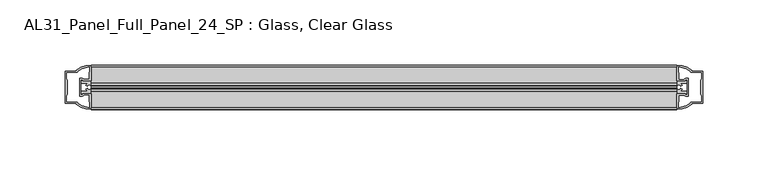
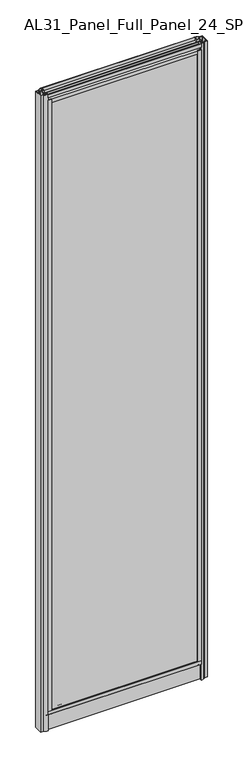
"""IFC4 building model written with IfcOpenShell, lengths in millimetres: plate geometry, AL31_Panel_Full_Panel_24_SP : Glass, Clear Glass."""

import ifcopenshell
import ifcopenshell.guid

model = None  # the IFC model being written
_history = None  # IfcOwnerHistory: only IFC2X3 demands one
_inside = {}  # id of a spatial element -> (the spatial element, [elements in it])
_under = {}  # id of a project, library or spatial element -> (it, [spatial elements below it])
_declared = {}  # id of a project -> (the project, [libraries it declares])
_typed = {}  # id of a type object -> (the type object, [elements of that type])
_made_of = {}  # id of a material, layer set ... -> (it, [elements and type objects made of it])


def new_model(schema):
    """Start an empty IFC model of exactly this schema.

    Asked for "IFC4X3", IfcOpenShell would pick the latest addendum, in which some entities
    have other attributes; the version numbers below select the first issue.
    IFC2X3 requires an IfcOwnerHistory on every rooted entity: one is made here for all.
    """
    global model, _history
    if schema == "IFC4X3":
        model = ifcopenshell.file(schema_version=(4, 3, 0, 0))
    else:
        model = ifcopenshell.file(schema=schema)
    _inside.clear()
    _under.clear()
    _declared.clear()
    _typed.clear()
    _made_of.clear()
    _history = None
    if model.schema == "IFC2X3":
        org = make("IfcOrganization", Name="unknown")
        user = make(
            "IfcPersonAndOrganization",
            ThePerson=make("IfcPerson", FamilyName="unknown"),
            TheOrganization=org,
        )
        app = make(
            "IfcApplication",
            ApplicationDeveloper=org,
            Version="unknown",
            ApplicationFullName="unknown",
            ApplicationIdentifier="unknown",
        )
        _history = make(
            "IfcOwnerHistory",
            OwningUser=user,
            OwningApplication=app,
            ChangeAction="ADDED",
            CreationDate=0,
        )
    return model


def make(cls, **values):
    """One entity of the class cls with the attributes given. An attribute that is None is left unset."""
    return model.create_entity(
        cls, **{name: value for name, value in values.items() if value is not None}
    )


def rooted(cls, **values):
    """An entity with a GlobalId (a new one), such as an element, a storey or a relation."""
    return make(cls, GlobalId=ifcopenshell.guid.new(), OwnerHistory=_history, **values)


def si_unit(unit_type, name, prefix=None):
    """IfcSIUnit, for example si_unit("LENGTHUNIT", "METRE", prefix="MILLI")."""
    return make("IfcSIUnit", UnitType=unit_type, Prefix=prefix, Name=name)


def assignment(units):
    """IfcUnitAssignment: the units of a project."""
    return None if units is None else make("IfcUnitAssignment", Units=units)


def point(xyz):
    """IfcCartesianPoint."""
    return None if xyz is None else make("IfcCartesianPoint", Coordinates=xyz)


def direction(xyz):
    """IfcDirection."""
    return None if xyz is None else make("IfcDirection", DirectionRatios=xyz)


def frame(location, z_axis=None, x_axis=None):
    """IfcAxis2Placement3D, a coordinate frame: its origin and axes. An axis left out is left unset."""
    return make(
        "IfcAxis2Placement3D",
        Location=point(location),
        Axis=direction(z_axis),
        RefDirection=direction(x_axis),
    )


def frame_2d(location, x_axis=None):
    """IfcAxis2Placement2D, a coordinate frame in the plane: its origin and x axis."""
    return make(
        "IfcAxis2Placement2D", Location=point(location), RefDirection=direction(x_axis)
    )


def origin():
    """The frame at (0, 0, 0) with its axes left unset."""
    return frame((0.0, 0.0, 0.0))


def origin_with_axes():
    """The frame at (0, 0, 0) with the z axis (0, 0, 1) and the x axis (1, 0, 0) written out."""
    return frame((0.0, 0.0, 0.0), z_axis=(0.0, 0.0, 1.0), x_axis=(1.0, 0.0, 0.0))


def place(relative_to, where):
    """IfcLocalPlacement: puts the frame where relative to a parent placement (None: the world)."""
    return make(
        "IfcLocalPlacement", PlacementRelTo=relative_to, RelativePlacement=where
    )


def context(
    kind, dimensions, precision=None, world=None, true_north=None, identifier=None
):
    """IfcGeometricRepresentationContext, for example the 3D "Model" context."""
    return make(
        "IfcGeometricRepresentationContext",
        ContextIdentifier=identifier,
        ContextType=kind,
        CoordinateSpaceDimension=dimensions,
        Precision=precision,
        WorldCoordinateSystem=world,
        TrueNorth=true_north,
    )


def project(units=None, contexts=None):
    """IfcProject with its units and contexts."""
    return rooted(
        "IfcProject",
        Name="project",
        RepresentationContexts=contexts,
        UnitsInContext=assignment(units),
    )


def spatial(cls, under=None, at=None, **own):
    """A site, building, storey or space (cls), placed at a placement, below another one or the project."""
    s = rooted(cls, ObjectPlacement=at, **own)
    if under is not None:
        _under.setdefault(under.id(), (under, []))[1].append(s)
    return s


def polyline(points):
    """IfcPolyline through the points."""
    return make("IfcPolyline", Points=[point(p) for p in points])


def circle_curve(where, radius):
    """IfcCircle in the frame where."""
    return make("IfcCircle", Position=where, Radius=radius)


def trimmed(basis, trim1, trim2, sense, master):
    """IfcTrimmedCurve: the piece of a basis curve between two trims."""
    return make(
        "IfcTrimmedCurve",
        BasisCurve=basis,
        Trim1=trim1,
        Trim2=trim2,
        SenseAgreement=sense,
        MasterRepresentation=master,
    )


def segment(curve, same_sense, transition):
    """IfcCompositeCurveSegment."""
    return make(
        "IfcCompositeCurveSegment",
        Transition=transition,
        SameSense=same_sense,
        ParentCurve=curve,
    )


def composite_curve(segments, self_intersect=None):
    """IfcCompositeCurve: segments joined end to end."""
    return make("IfcCompositeCurve", Segments=segments, SelfIntersect=self_intersect)


def outline(outer, holes=None, kind="AREA"):
    """IfcArbitraryClosedProfileDef: a profile drawn as a closed curve; with holes, ...WithVoids."""
    if holes is None:
        return make("IfcArbitraryClosedProfileDef", ProfileType=kind, OuterCurve=outer)
    return make(
        "IfcArbitraryProfileDefWithVoids",
        ProfileType=kind,
        OuterCurve=outer,
        InnerCurves=holes,
    )


def extrude(swept, where, along, depth):
    """IfcExtrudedAreaSolid: the profile swept, set in the frame where, extruded along a direction by depth."""
    return make(
        "IfcExtrudedAreaSolid",
        SweptArea=swept,
        Position=where,
        ExtrudedDirection=direction(along),
        Depth=depth,
    )


def shape(context_of_items, identifier, shape_type, items):
    """IfcShapeRepresentation: the items that make up one representation, for example the "Body"."""
    return make(
        "IfcShapeRepresentation",
        ContextOfItems=context_of_items,
        RepresentationIdentifier=identifier,
        RepresentationType=shape_type,
        Items=items,
    )


def source(mapping_origin, context_of_items, identifier, shape_type, items):
    """IfcRepresentationMap: a shape defined once, which mapped items show again and again."""
    return make(
        "IfcRepresentationMap",
        MappingOrigin=mapping_origin,
        MappedRepresentation=shape(context_of_items, identifier, shape_type, items),
    )


def transform(
    local_origin,
    x_axis=None,
    y_axis=None,
    z_axis=None,
    scale=None,
    scale2=None,
    scale3=None,
    uniform=True,
):
    """IfcCartesianTransformationOperator3D, or its non-uniform kind. x_axis, y_axis, z_axis: its Axis1, 2, 3."""
    if uniform:
        return make(
            "IfcCartesianTransformationOperator3D",
            Axis1=direction(x_axis),
            Axis2=direction(y_axis),
            LocalOrigin=point(local_origin),
            Scale=scale,
            Axis3=direction(z_axis),
        )
    return make(
        "IfcCartesianTransformationOperator3DnonUniform",
        Axis1=direction(x_axis),
        Axis2=direction(y_axis),
        LocalOrigin=point(local_origin),
        Scale=scale,
        Axis3=direction(z_axis),
        Scale2=scale2,
        Scale3=scale3,
    )


def mapped(mapping_source, mapping_target):
    """IfcMappedItem: shows the shape of a source again, moved by a transform."""
    return make(
        "IfcMappedItem", MappingSource=mapping_source, MappingTarget=mapping_target
    )


def made_of(thing, what):
    """Note that an element or type object is made of a material, layer set ...; save() writes the relation."""
    if what is not None:
        _made_of.setdefault(what.id(), (what, []))[1].append(thing)
    return thing


def element(
    cls,
    number,
    at=None,
    inside=None,
    cuts=None,
    type_object=None,
    material=None,
    context=None,
    identifier="Body",
    shape_type=None,
    held_by="IfcProductDefinitionShape",
    body=None,
    shapes=None,
    **own,
):
    """One element of the class cls, such as IfcWall. Its Tag is "e" and its number.

    at: its placement. inside: the storey or other place that contains it. cuts: it is an
    opening in that element (IfcRelVoidsElement). A single representation is given by context,
    identifier, shape_type and body (its items); several are given by shapes. held_by: the class
    of the entity that holds the representations. save() writes the other relations.
    """
    e = rooted(cls, Tag="e%d" % number, ObjectPlacement=at, **own)
    if body is not None:
        shapes = [shape(context, identifier, shape_type, body)]
    if shapes is not None:
        e.Representation = make(held_by, Representations=shapes)
    if inside is not None:
        _inside.setdefault(inside.id(), (inside, []))[1].append(e)
    if cuts is not None:
        rooted(
            "IfcRelVoidsElement", RelatingBuildingElement=cuts, RelatedOpeningElement=e
        )
    if type_object is not None:
        _typed.setdefault(type_object.id(), (type_object, []))[1].append(e)
    return made_of(e, material)


def aggregate(whole, parts):
    """IfcRelAggregates: a whole, such as a stair, and the parts it consists of."""
    return rooted("IfcRelAggregates", RelatingObject=whole, RelatedObjects=parts)


def save(model, path):
    """Write the relations noted so far, then the file.

    IfcRelAggregates (storeys below a building ...), IfcRelContainedInSpatialStructure (elements
    in a storey), IfcRelDefinesByType, IfcRelAssociatesMaterial and IfcRelDeclares: one each for
    every whole, place, type object, material and project.
    """
    for whole, parts in _under.values():
        aggregate(whole, parts)
    for where, things in _inside.values():
        rooted(
            "IfcRelContainedInSpatialStructure",
            RelatedElements=things,
            RelatingStructure=where,
        )
    for kind, things in _typed.values():
        rooted("IfcRelDefinesByType", RelatedObjects=things, RelatingType=kind)
    for what, things in _made_of.values():
        rooted("IfcRelAssociatesMaterial", RelatedObjects=things, RelatingMaterial=what)
    for by, libraries in _declared.values():
        rooted("IfcRelDeclares", RelatingContext=by, RelatedDefinitions=libraries)
    model.write(path)


def al31_panel_full_panel_24_sp_glass_clear_glass_c1997e2f(model_context):
    return source(origin(), model_context, "Body", "SweptSolid", [
        extrude(outline(composite_curve([segment(polyline([(-0.8778244, 46.2206013), (-1.4322398, 45.1563534)]), True, "CONTINUOUS"), segment(trimmed(circle_curve(frame_2d((0.0, 47.9056604)), 3.1), [point((-1.4322398, 45.1563534))], [point((-3.05, 47.3511336))], False, "CARTESIAN"), True, "CONTINUOUS"), segment(polyline([(-3.05, 47.3511336), (-3.05, 41.9), (-5.0, 41.9), (-5.0, 49.4), (-17.0, 49.4), (-17.0, 59.2), (-14.8, 59.2), (-14.8, 51.3), (14.8, 51.3), (14.8, 59.2), (17.0, 59.2), (17.0, 49.4), (5.0, 49.4), (5.0, 41.9), (3.05, 41.9), (3.05, 47.3511336)]), True, "CONTINUOUS"), segment(trimmed(circle_curve(frame_2d((0.0, 47.9056604)), 3.1), [point((3.05, 47.3511336))], [point((1.4322398, 45.1563534))], False, "CARTESIAN"), True, "CONTINUOUS"), segment(polyline([(1.4322398, 45.1563534), (0.8778244, 46.2206013)]), True, "CONTINUOUS"), segment(trimmed(circle_curve(frame_2d((0.0, 47.9056604)), 1.9), [point((0.8778244, 46.2206013))], [point((0.0, 49.8056604))], True, "CARTESIAN"), True, "CONTINUOUS"), segment(trimmed(circle_curve(frame_2d((0.0, 47.9056604)), 1.9), [point((0.0, 49.8056604))], [point((-0.8778244, 46.2206013))], True, "CARTESIAN"), True, "CONTINUOUS")], self_intersect=False)), frame((-224.9, 0.0, 0.0), z_axis=(1.0, 0.0, 0.0), x_axis=(0.0, 1.0, 0.0)), (0.0, 0.0, 1.0), 449.8),
        extrude(outline(composite_curve([segment(trimmed(circle_curve(frame_2d((-226.3943396, 0.0)), 1.9), [point((-228.0793987, -0.8778244))], [point((-224.4943396, 0.0))], True, "CARTESIAN"), True, "CONTINUOUS"), segment(trimmed(circle_curve(frame_2d((-226.3943396, 0.0)), 1.9), [point((-224.4943396, 0.0))], [point((-228.0793987, 0.8778244))], True, "CARTESIAN"), True, "CONTINUOUS"), segment(polyline([(-228.0793987, 0.8778244), (-229.1436466, 1.4322398)]), True, "CONTINUOUS"), segment(trimmed(circle_curve(frame_2d((-226.3943396, 0.0)), 3.1), [point((-229.1436466, 1.4322398))], [point((-226.9488664, 3.05))], False, "CARTESIAN"), True, "CONTINUOUS"), segment(polyline([(-226.9488664, 3.05), (-232.4, 3.05), (-232.4, 5.0), (-224.9, 5.0), (-224.9, 17.0), (-215.1, 17.0), (-215.1, 14.8), (-223.0, 14.8), (-223.0, -14.8), (-215.1, -14.8), (-215.1, -17.0), (-224.9, -17.0), (-224.9, -5.0), (-232.4, -5.0), (-232.4, -3.05), (-226.9488664, -3.05)]), True, "CONTINUOUS"), segment(trimmed(circle_curve(frame_2d((-226.3943396, 0.0)), 3.1), [point((-226.9488664, -3.05))], [point((-229.1436466, -1.4322398))], False, "CARTESIAN"), True, "CONTINUOUS"), segment(polyline([(-229.1436466, -1.4322398), (-228.0793987, -0.8778244)]), True, "CONTINUOUS")], self_intersect=False)), frame((0.0, 0.0, 49.4), z_axis=(0.0, 0.0, 1.0), x_axis=(1.0, 0.0, 0.0)), (0.0, 0.0, 1.0), 1906.6),
        extrude(outline(composite_curve([segment(polyline([(228.0793987, -0.8778244), (229.1436466, -1.4322398)]), True, "CONTINUOUS"), segment(trimmed(circle_curve(frame_2d((226.3943396, 0.0)), 3.1), [point((229.1436466, -1.4322398))], [point((226.9488664, -3.05))], False, "CARTESIAN"), True, "CONTINUOUS"), segment(polyline([(226.9488664, -3.05), (232.4, -3.05), (232.4, -5.0), (224.9, -5.0), (224.9, -17.0), (215.1, -17.0), (215.1, -14.8), (223.0, -14.8), (223.0, 14.8), (215.1, 14.8), (215.1, 17.0), (224.9, 17.0), (224.9, 5.0), (232.4, 5.0), (232.4, 3.05), (226.9488664, 3.05)]), True, "CONTINUOUS"), segment(trimmed(circle_curve(frame_2d((226.3943396, 0.0)), 3.1), [point((226.9488664, 3.05))], [point((229.1436466, 1.4322398))], False, "CARTESIAN"), True, "CONTINUOUS"), segment(polyline([(229.1436466, 1.4322398), (228.0793987, 0.8778244)]), True, "CONTINUOUS"), segment(trimmed(circle_curve(frame_2d((226.3943396, 0.0)), 1.9), [point((228.0793987, 0.8778244))], [point((224.4943396, 0.0))], True, "CARTESIAN"), True, "CONTINUOUS"), segment(trimmed(circle_curve(frame_2d((226.3943396, 0.0)), 1.9), [point((224.4943396, 0.0))], [point((228.0793987, -0.8778244))], True, "CARTESIAN"), True, "CONTINUOUS")], self_intersect=False)), frame((0.0, 0.0, 49.4), z_axis=(0.0, 0.0, 1.0), x_axis=(1.0, 0.0, 0.0)), (0.0, 0.0, 1.0), 1906.6),
        extrude(outline(composite_curve([segment(polyline([(0.8778244, 1959.1793987), (1.4322398, 1960.2436466)]), True, "CONTINUOUS"), segment(trimmed(circle_curve(frame_2d((0.0, 1957.4943396)), 3.1), [point((1.4322398, 1960.2436466))], [point((3.05, 1958.0488664))], False, "CARTESIAN"), True, "CONTINUOUS"), segment(polyline([(3.05, 1958.0488664), (3.05, 1963.5), (5.0, 1963.5), (5.0, 1956.0), (17.0, 1956.0), (17.0, 1946.2), (14.8, 1946.2), (14.8, 1954.1), (-14.8, 1954.1), (-14.8, 1946.2), (-17.0, 1946.2), (-17.0, 1956.0), (-5.0, 1956.0), (-5.0, 1963.5), (-3.05, 1963.5), (-3.05, 1958.0488664)]), True, "CONTINUOUS"), segment(trimmed(circle_curve(frame_2d((0.0, 1957.4943396)), 3.1), [point((-3.05, 1958.0488664))], [point((-1.4322398, 1960.2436466))], False, "CARTESIAN"), True, "CONTINUOUS"), segment(polyline([(-1.4322398, 1960.2436466), (-0.8778244, 1959.1793987)]), True, "CONTINUOUS"), segment(trimmed(circle_curve(frame_2d((0.0, 1957.4943396)), 1.9), [point((-0.8778244, 1959.1793987))], [point((0.0, 1955.5943396))], True, "CARTESIAN"), True, "CONTINUOUS"), segment(trimmed(circle_curve(frame_2d((0.0, 1957.4943396)), 1.9), [point((0.0, 1955.5943396))], [point((0.8778244, 1959.1793987))], True, "CARTESIAN"), True, "CONTINUOUS")], self_intersect=False)), frame((-224.9, 0.0, 0.0), z_axis=(1.0, 0.0, 0.0), x_axis=(0.0, 1.0, 0.0)), (0.0, 0.0, 1.0), 449.8),
        extrude(outline(composite_curve([segment(polyline([(-1.4, 1968.8980762), (-0.85, 1967.9454483)]), True, "CONTINUOUS"), segment(trimmed(circle_curve(frame_2d((0.1, 1966.3)), 1.9), [point((-0.85, 1967.9454483))], [point((1.05, 1967.9454483))], True, "CARTESIAN"), True, "CONTINUOUS"), segment(polyline([(1.05, 1967.9454483), (1.6, 1968.8980762)]), True, "CONTINUOUS"), segment(trimmed(circle_curve(frame_2d((0.1, 1966.3)), 3.0), [point((1.6, 1968.8980762))], [point((2.5718414, 1964.6))], False, "CARTESIAN"), True, "CONTINUOUS"), segment(polyline([(2.5718414, 1964.6), (15.7, 1964.6), (15.7, 1974.0), (17.0, 1974.0), (17.0, 1963.5), (6.7024688, 1963.5), (6.7024688, 1962.7), (6.1968782, 1960.7785039), (6.1968782, 1956.1), (5.0, 1956.1), (5.0, 1961.4339746), (5.5, 1962.3), (5.5, 1963.5), (-5.5, 1963.5), (-5.5, 1962.3), (-5.0, 1961.4339746), (-5.0, 1956.1), (-6.1968782, 1956.1), (-6.1968782, 1960.7785039), (-6.7024688, 1962.7), (-6.7024688, 1963.5), (-17.0, 1963.5), (-17.0, 1974.0), (-15.7, 1974.0), (-15.7, 1964.6), (-2.3718414, 1964.6)]), True, "CONTINUOUS"), segment(trimmed(circle_curve(frame_2d((0.1, 1966.3)), 3.0), [point((-2.3718414, 1964.6))], [point((-1.4, 1968.8980762))], False, "CARTESIAN"), True, "CONTINUOUS")], self_intersect=False)), frame((-224.9, 0.0, 0.0), z_axis=(1.0, 0.0, 0.0), x_axis=(0.0, 1.0, 0.0)), (0.0, 0.0, 1.0), 449.8),
        extrude(outline(composite_curve([segment(polyline([(-232.7414214, -5.9), (-231.5414214, -5.9), (-231.5414214, -5.0), (-224.9, -5.0), (-224.9, -17.0001453)]), True, "CONTINUOUS"), segment(trimmed(circle_curve(frame_2d((-224.5353484, 2.9965302)), 20.0), [point((-224.9, -17.0001453))], [point((-236.2558352, -13.2093388))], False, "CARTESIAN"), True, "CONTINUOUS"), segment(polyline([(-236.2558352, -13.2093388), (-236.2558352, -12.3279343), (-244.9, -12.3279343), (-244.9, 12.3720657), (-236.2558352, 12.3720657), (-236.2558352, 13.2095249)]), True, "CONTINUOUS"), segment(trimmed(circle_curve(frame_2d((-224.5353484, -2.9963441)), 20.0), [point((-236.2558352, 13.2095249))], [point((-224.9, 17.0003314))], False, "CARTESIAN"), True, "CONTINUOUS"), segment(polyline([(-224.9, 17.0003314), (-224.9, 5.0), (-231.5414214, 5.0), (-231.5414214, 5.9), (-232.7414214, 5.9), (-232.7414214, -5.9)]), True, "CONTINUOUS")], self_intersect=False), holes=[composite_curve([segment(trimmed(circle_curve(frame_2d((-231.7414214, 5.7)), 1.5), [point((-231.7414214, 7.2))], [point((-230.3861671, 6.3428731))], False, "CARTESIAN"), True, "CONTINUOUS"), segment(polyline([(-230.3861671, 6.3428731), (-226.6414214, 6.3428731), (-226.6414214, 10.939223), (-226.2020815, 11.9998832), (-226.2020815, 15.6499817)]), True, "CONTINUOUS"), segment(trimmed(circle_curve(frame_2d((-224.5353484, -2.9755921)), 18.7), [point((-226.2020815, 15.6499817))], [point((-234.5421262, 12.8216987))], True, "CARTESIAN"), True, "CONTINUOUS"), segment(trimmed(circle_curve(frame_2d((-236.3414214, 12.8720657)), 1.8), [point((-234.5421262, 12.8216987))], [point((-236.3414214, 11.0720657))], False, "CARTESIAN"), True, "CONTINUOUS"), segment(polyline([(-236.3414214, 11.0720657), (-243.4828427, 11.0720657), (-243.4828427, 6.5019606), (-243.0414214, 5.439223), (-243.0414214, -5.3950916), (-243.5414214, -6.3879987), (-243.5414214, -11.0279343), (-236.3414214, -11.0279343)]), True, "CONTINUOUS"), segment(trimmed(circle_curve(frame_2d((-236.3414214, -12.8279343)), 1.8), [point((-236.3414214, -11.0279343))], [point((-234.5421262, -12.7775673))], False, "CARTESIAN"), True, "CONTINUOUS"), segment(trimmed(circle_curve(frame_2d((-224.5353484, 3.0197235)), 18.7), [point((-234.5421262, -12.7775673))], [point((-226.2020815, -15.6058503))], True, "CARTESIAN"), True, "CONTINUOUS"), segment(polyline([(-226.2020815, -15.6058503), (-226.2020815, -11.9557518), (-226.6414214, -10.8950916), (-226.6414214, -6.2991308), (-230.3662696, -6.2991308)]), True, "CONTINUOUS"), segment(trimmed(circle_curve(frame_2d((-231.7414214, -5.7)), 1.5), [point((-230.3662696, -6.2991308))], [point((-231.7414214, -7.2))], False, "CARTESIAN"), True, "CONTINUOUS"), segment(polyline([(-231.7414214, -7.2), (-234.0414214, -7.2), (-234.0414214, 7.2), (-231.7414214, 7.2)]), True, "CONTINUOUS")], self_intersect=False)]), origin_with_axes(), (0.0, 0.0, 1.0), 1974.0),
        extrude(outline(composite_curve([segment(polyline([(232.7414214, 5.9), (231.5414214, 5.9), (231.5414214, 5.0), (224.9, 5.0), (224.9, 17.0001453)]), True, "CONTINUOUS"), segment(trimmed(circle_curve(frame_2d((224.5353484, -2.9965302)), 20.0), [point((224.9, 17.0001453))], [point((236.2558352, 13.2093388))], False, "CARTESIAN"), True, "CONTINUOUS"), segment(polyline([(236.2558352, 13.2093388), (236.2558352, 12.3279343), (244.9, 12.3279343), (244.9, -12.3720657), (236.2558352, -12.3720657), (236.2558352, -13.2095249)]), True, "CONTINUOUS"), segment(trimmed(circle_curve(frame_2d((224.5353484, 2.9963441)), 20.0), [point((236.2558352, -13.2095249))], [point((224.9, -17.0003314))], False, "CARTESIAN"), True, "CONTINUOUS"), segment(polyline([(224.9, -17.0003314), (224.9, -5.0), (231.5414214, -5.0), (231.5414214, -5.9), (232.7414214, -5.9), (232.7414214, 5.9)]), True, "CONTINUOUS")], self_intersect=False), holes=[composite_curve([segment(trimmed(circle_curve(frame_2d((231.7414214, -5.7)), 1.5), [point((231.7414214, -7.2))], [point((230.3861671, -6.3428731))], False, "CARTESIAN"), True, "CONTINUOUS"), segment(polyline([(230.3861671, -6.3428731), (226.6414214, -6.3428731), (226.6414214, -10.939223), (226.2020815, -11.9998832), (226.2020815, -15.6499817)]), True, "CONTINUOUS"), segment(trimmed(circle_curve(frame_2d((224.5353484, 2.9755921)), 18.7), [point((226.2020815, -15.6499817))], [point((234.5421262, -12.8216987))], True, "CARTESIAN"), True, "CONTINUOUS"), segment(trimmed(circle_curve(frame_2d((236.3414214, -12.8720657)), 1.8), [point((234.5421262, -12.8216987))], [point((236.3414214, -11.0720657))], False, "CARTESIAN"), True, "CONTINUOUS"), segment(polyline([(236.3414214, -11.0720657), (243.4828427, -11.0720657), (243.4828427, -6.5019606), (243.0414214, -5.439223), (243.0414214, 5.3950916), (243.5414214, 6.3879987), (243.5414214, 11.0279343), (236.3414214, 11.0279343)]), True, "CONTINUOUS"), segment(trimmed(circle_curve(frame_2d((236.3414214, 12.8279343)), 1.8), [point((236.3414214, 11.0279343))], [point((234.5421262, 12.7775673))], False, "CARTESIAN"), True, "CONTINUOUS"), segment(trimmed(circle_curve(frame_2d((224.5353484, -3.0197235)), 18.7), [point((234.5421262, 12.7775673))], [point((226.2020815, 15.6058503))], True, "CARTESIAN"), True, "CONTINUOUS"), segment(polyline([(226.2020815, 15.6058503), (226.2020815, 11.9557518), (226.6414214, 10.8950916), (226.6414214, 6.2991308), (230.3662696, 6.2991308)]), True, "CONTINUOUS"), segment(trimmed(circle_curve(frame_2d((231.7414214, 5.7)), 1.5), [point((230.3662696, 6.2991308))], [point((231.7414214, 7.2))], False, "CARTESIAN"), True, "CONTINUOUS"), segment(polyline([(231.7414214, 7.2), (234.0414214, 7.2), (234.0414214, -7.2), (231.7414214, -7.2)]), True, "CONTINUOUS")], self_intersect=False)]), origin_with_axes(), (0.0, 0.0, 1.0), 1974.0),
        extrude(outline(composite_curve([segment(trimmed(circle_curve(frame_2d((-8.4, 34.8)), 1.0), [point((-8.4, 35.8))], [point((-9.4, 34.8))], True, "CARTESIAN"), True, "CONTINUOUS"), segment(polyline([(-9.4, 34.8), (-9.4, 33.5), (-5.0000303, 33.5), (-5.0000303, 32.3), (-9.4, 32.3), (-9.4, 0.0), (-10.6, 0.0), (-10.6, 47.3)]), True, "CONTINUOUS"), segment(trimmed(circle_curve(frame_2d((-8.6, 47.3)), 2.0), [point((-10.6, 47.3))], [point((-8.6, 49.3))], False, "CARTESIAN"), True, "CONTINUOUS"), segment(polyline([(-8.6, 49.3), (-5.0, 49.3), (-5.0, 41.9), (5.0, 41.9), (5.0, 49.3), (8.6, 49.3)]), True, "CONTINUOUS"), segment(trimmed(circle_curve(frame_2d((8.6, 47.3)), 2.0), [point((8.6, 49.3))], [point((10.6, 47.3))], False, "CARTESIAN"), True, "CONTINUOUS"), segment(polyline([(10.6, 47.3), (10.6, 0.0), (9.4, 0.0), (9.4, 32.3), (4.9999697, 32.3), (4.9999697, 33.5), (9.4, 33.5), (9.4, 34.8)]), True, "CONTINUOUS"), segment(trimmed(circle_curve(frame_2d((8.4, 34.8)), 1.0), [point((9.4, 34.8))], [point((8.4, 35.8))], True, "CARTESIAN"), True, "CONTINUOUS"), segment(polyline([(8.4, 35.8), (-8.4, 35.8)]), True, "CONTINUOUS")], self_intersect=False), holes=[composite_curve([segment(trimmed(circle_curve(frame_2d((5.5024688, 41.8)), 1.0), [point((6.5024688, 41.8))], [point((5.5024688, 40.8))], False, "CARTESIAN"), True, "CONTINUOUS"), segment(polyline([(5.5024688, 40.8), (2.8008965, 40.8), (2.8008965, 39.7274194), (1.8370508, 39.7274194)]), True, "CONTINUOUS"), segment(trimmed(circle_curve(frame_2d((0.0, 38.7)), 2.1048387), [point((1.8370508, 39.7274194))], [point((-1.8370508, 39.7274194))], True, "CARTESIAN"), True, "CONTINUOUS"), segment(polyline([(-1.8370508, 39.7274194), (-2.8008965, 39.7274194), (-2.8008965, 40.8), (-5.5024688, 40.8)]), True, "CONTINUOUS"), segment(trimmed(circle_curve(frame_2d((-5.5024688, 41.8)), 1.0), [point((-5.5024688, 40.8))], [point((-6.5024688, 41.8))], False, "CARTESIAN"), True, "CONTINUOUS"), segment(polyline([(-6.5024688, 41.8), (-6.5024688, 42.7)]), True, "CONTINUOUS"), segment(trimmed(circle_curve(frame_2d((-5.3024688, 42.7)), 1.2), [point((-6.5024688, 42.7))], [point((-6.1198184, 43.5786009))], False, "CARTESIAN"), True, "CONTINUOUS"), segment(polyline([(-6.1198184, 43.5786009), (-6.1198184, 48.2), (-8.4, 48.2)]), True, "CONTINUOUS"), segment(trimmed(circle_curve(frame_2d((-8.4, 47.2)), 1.0), [point((-8.4, 48.2))], [point((-9.4, 47.2))], True, "CARTESIAN"), True, "CONTINUOUS"), segment(polyline([(-9.4, 47.2), (-9.4, 37.04), (-2.8008965, 37.04), (-2.8008965, 38.0725806), (-1.8370508, 38.0725806)]), True, "CONTINUOUS"), segment(trimmed(circle_curve(frame_2d((0.0, 39.1)), 2.1048387), [point((-1.8370508, 38.0725806))], [point((1.8370508, 38.0725806))], True, "CARTESIAN"), True, "CONTINUOUS"), segment(polyline([(1.8370508, 38.0725806), (2.8008965, 38.0725806), (2.8008965, 37.04), (9.4, 37.04), (9.4, 47.2)]), True, "CONTINUOUS"), segment(trimmed(circle_curve(frame_2d((8.4, 47.2)), 1.0), [point((9.4, 47.2))], [point((8.4, 48.2))], True, "CARTESIAN"), True, "CONTINUOUS"), segment(polyline([(8.4, 48.2), (6.1198184, 48.2), (6.1198184, 43.7786009)]), True, "CONTINUOUS"), segment(trimmed(circle_curve(frame_2d((5.3024688, 42.9)), 1.2), [point((6.1198184, 43.7786009))], [point((6.5024688, 42.9))], False, "CARTESIAN"), True, "CONTINUOUS"), segment(polyline([(6.5024688, 42.9), (6.5024688, 41.8)]), True, "CONTINUOUS")], self_intersect=False)]), frame((-224.9, 0.0, 0.0), z_axis=(1.0, 0.0, 0.0), x_axis=(0.0, 1.0, 0.0)), (0.0, 0.0, 1.0), 449.8),
        extrude(outline(polyline([(223.0, -8.0), (223.0, -12.0), (-223.0, -12.0), (-223.0, -8.0), (223.0, -8.0)])), frame((0.0, 0.0, 51.3), z_axis=(0.0, 0.0, 1.0), x_axis=(1.0, 0.0, 0.0)), (0.0, 0.0, 1.0), 1902.8),
        extrude(outline(polyline([(223.0, 12.0), (223.0, 8.0), (-223.0, 8.0), (-223.0, 12.0), (223.0, 12.0)])), frame((0.0, 0.0, 51.3), z_axis=(0.0, 0.0, 1.0), x_axis=(1.0, 0.0, 0.0)), (0.0, 0.0, 1.0), 1902.8),
        extrude(outline(polyline([(17.0, 59.2), (17.0, 49.4), (10.6, 49.4), (10.6, 0.0), (-10.6, 0.0), (-10.6, 49.4), (-17.0, 49.4), (-17.0, 59.2), (17.0, 59.2)])), frame((-224.9, 0.0, 0.0), z_axis=(1.0, 0.0, 0.0), x_axis=(0.0, 1.0, 0.0)), (0.0, 0.0, 1.0), 449.8),
    ])


if __name__ == "__main__":
    model = new_model("IFC4")
    model_context = context("Model", 3, world=origin())
    ifc_project = project(units=[si_unit("LENGTHUNIT", "METRE", prefix="MILLI")], contexts=[model_context])
    site = spatial("IfcSite", under=ifc_project)
    building = spatial("IfcBuilding", under=site)
    placement = place(None, origin())
    al31_panel_full_panel_24_sp_glass_clear_glass_shape = al31_panel_full_panel_24_sp_glass_clear_glass_c1997e2f(model_context)
    element("IfcPlate", 1, ObjectType="AL31_Panel_Full_Panel_24_SP : Glass, Clear Glass", at=placement, inside=building, context=model_context, shape_type="MappedRepresentation", body=[
        mapped(al31_panel_full_panel_24_sp_glass_clear_glass_shape, transform((0.0, 0.0, 0.0), x_axis=(1.0, 0.0, 0.0), y_axis=(0.0, 1.0, 0.0), z_axis=(0.0, 0.0, 1.0))),
    ])
    save(model, "model.ifc")
